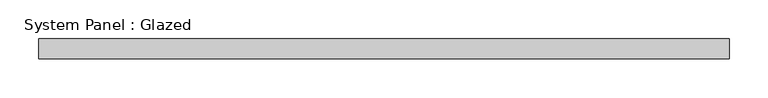
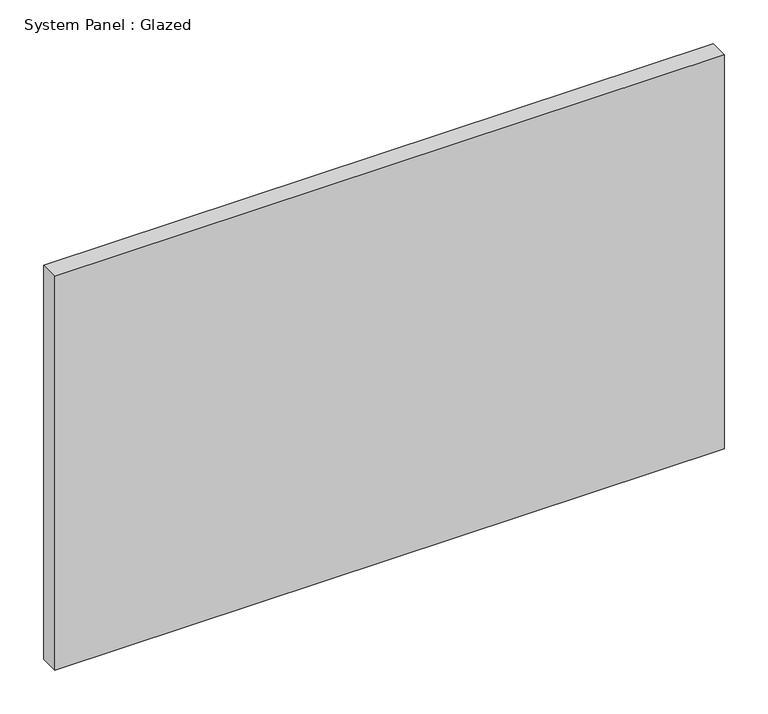
"""IFC4 building model written with IfcOpenShell, lengths in millimetres: plate geometry, System Panel : Glazed."""

from ifc_helpers import new_model, si_unit, origin, origin_with_axes, place, context, project, spatial, polyline, outline, extrude, source, transform, mapped, element, save


def system_panel_glazed_22e15173(model_context):
    return source(origin(), model_context, "Body", "SweptSolid", [
        extrude(outline(polyline([(444.1471541, -44.45), (-444.1471541, -44.45), (-444.1471541, -19.05), (444.1471541, -19.05), (444.1471541, -44.45)])), origin_with_axes(), (0.0, 0.0, 1.0), 552.45),
    ])


if __name__ == "__main__":
    model = new_model("IFC4")
    model_context = context("Model", 3, world=origin())
    ifc_project = project(units=[si_unit("LENGTHUNIT", "METRE", prefix="MILLI")], contexts=[model_context])
    site = spatial("IfcSite", under=ifc_project)
    building = spatial("IfcBuilding", under=site)
    placement = place(None, origin())
    system_panel_glazed_shape = system_panel_glazed_22e15173(model_context)
    element("IfcPlate", 1, ObjectType="System Panel : Glazed", at=placement, inside=building, context=model_context, shape_type="MappedRepresentation", body=[
        mapped(system_panel_glazed_shape, transform((0.0, 0.0, 0.0), x_axis=(1.0, 0.0, 0.0), y_axis=(0.0, 1.0, 0.0), z_axis=(0.0, 0.0, 1.0))),
    ])
    save(model, "model.ifc")
